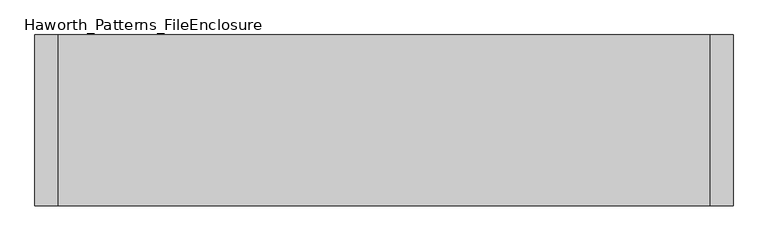
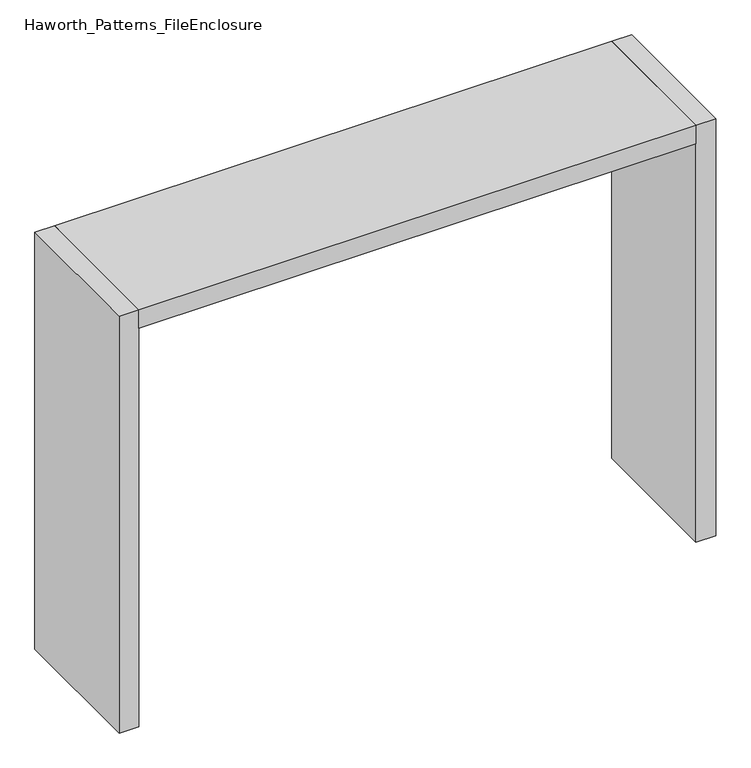
"""IFC4 building model written with IfcOpenShell, lengths in millimetres: furniture geometry, Haworth_Patterns_FileEnclosure."""

from ifc_helpers import new_model, si_unit, frame, origin, origin_with_axes, place, context, project, spatial, polyline, outline, extrude, source, transform, mapped, element, save


def haworth_patterns_fileenclosure_90b7d867(model_context):
    return source(origin(), model_context, "Body", "SweptSolid", [
        extrude(outline(polyline([(1066.8, 0.0), (1066.8, -558.8), (-1066.8, -558.8), (-1066.8, 0.0), (1066.8, 0.0)])), frame((0.0, 0.0, 1612.9), z_axis=(0.0, 0.0, 1.0), x_axis=(1.0, 0.0, 0.0)), (0.0, 0.0, 1.0), 76.2),
        extrude(outline(polyline([(1066.8, 0.0), (1143.0, 0.0), (1143.0, -558.8), (1066.8, -558.8), (1066.8, 0.0)])), origin_with_axes(), (0.0, 0.0, 1.0), 1689.1),
        extrude(outline(polyline([(-1066.8, 0.0), (-1066.8, -558.8), (-1143.0, -558.8), (-1143.0, 0.0), (-1066.8, 0.0)])), origin_with_axes(), (0.0, 0.0, 1.0), 1689.1),
    ])


if __name__ == "__main__":
    model = new_model("IFC4")
    model_context = context("Model", 3, world=origin())
    ifc_project = project(units=[si_unit("LENGTHUNIT", "METRE", prefix="MILLI")], contexts=[model_context])
    site = spatial("IfcSite", under=ifc_project)
    building = spatial("IfcBuilding", under=site)
    placement = place(None, origin())
    haworth_patterns_fileenclosure_shape = haworth_patterns_fileenclosure_90b7d867(model_context)
    element("IfcFurniture", 1, ObjectType="Haworth_Patterns_FileEnclosure", at=placement, inside=building, context=model_context, shape_type="MappedRepresentation", body=[
        mapped(haworth_patterns_fileenclosure_shape, transform((0.0, 0.0, 0.0), x_axis=(1.0, 0.0, 0.0), y_axis=(0.0, 1.0, 0.0), z_axis=(0.0, 0.0, 1.0))),
    ])
    save(model, "model.ifc")
